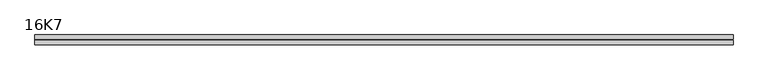
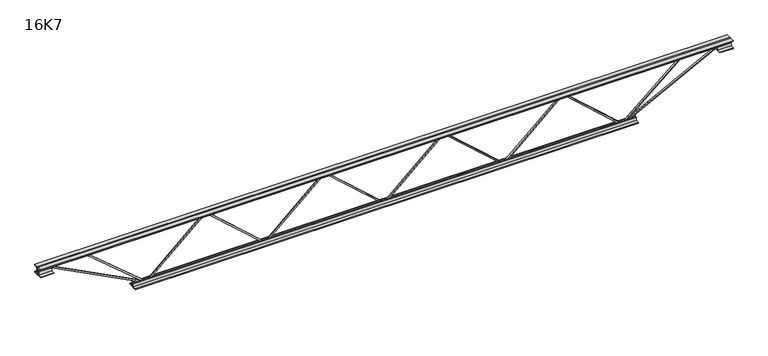
"""IFC4 building model written with IfcOpenShell, lengths in millimetres: beam geometry, 16K7."""

from ifc_helpers import new_model, si_unit, frame, origin, place, context, project, spatial, polyline, outline, extrude, source, transform, mapped, element, save


def beam_16k7_efc20214(model_context):
    return source(origin(), model_context, "Body", "SweptSolid", [
        extrude(outline(polyline([(-191.9, 0.0), (-201.4, 0.0), (-201.4, 4.9868743), (191.9, 445.5118743), (191.9, 448.2381257), (-201.4, 888.7631257), (-201.4, 893.75), (-191.9, 893.75), (-191.9, 892.3868743), (201.4, 451.8618743), (201.4, 441.8881257), (-191.9, 1.3631257), (-191.9, 0.0)])), frame((0.0, -4.75, 0.0), z_axis=(0.0, 1.0, 0.0), x_axis=(0.0, 0.0, 1.0)), (0.0, 0.0, 1.0), 9.5),
        extrude(outline(polyline([(-191.9, -893.75), (-201.4, -893.75), (-201.4, -888.7631257), (191.9, -448.2381257), (191.9, -445.5118743), (-201.4, -4.9868743), (-201.4, 0.0), (-191.9, 0.0), (-191.9, -1.3631257), (201.4, -441.8881257), (201.4, -451.8618743), (-191.9, -892.3868743), (-191.9, -893.75)])), frame((0.0, -4.75, 0.0), z_axis=(0.0, 1.0, 0.0), x_axis=(0.0, 0.0, 1.0)), (0.0, 0.0, 1.0), 9.5),
        extrude(outline(polyline([(-191.9, 893.75), (-201.4, 893.75), (-201.4, 898.7368743), (191.9, 1339.2618743), (191.9, 1341.9881257), (-201.4, 1782.5131257), (-201.4, 1787.5), (-191.9, 1787.5), (-191.9, 1786.1368743), (201.4, 1345.6118743), (201.4, 1335.6381257), (-191.9, 895.1131257), (-191.9, 893.75)])), frame((0.0, -4.75, 0.0), z_axis=(0.0, 1.0, 0.0), x_axis=(0.0, 0.0, 1.0)), (0.0, 0.0, 1.0), 9.5),
        extrude(outline(polyline([(-191.9, -1787.5), (-201.4, -1787.5), (-201.4, -1782.5131257), (191.9, -1341.9881257), (191.9, -1339.2618743), (-201.4, -898.7368743), (-201.4, -893.75), (-191.9, -893.75), (-191.9, -895.1131257), (201.4, -1335.6381257), (201.4, -1345.6118743), (-191.9, -1786.1368743), (-191.9, -1787.5)])), frame((0.0, -4.75, 0.0), z_axis=(0.0, 1.0, 0.0), x_axis=(0.0, 0.0, 1.0)), (0.0, 0.0, 1.0), 9.5),
        extrude(outline(polyline([(4.75, 203.0), (36.75, 203.0), (36.75, 196.5), (11.25, 196.5), (11.25, 171.0), (4.75, 171.0), (4.75, 203.0)])), frame((-2599.5, 0.0, 0.0), z_axis=(1.0, 0.0, 0.0), x_axis=(0.0, 1.0, 0.0)), (0.0, 0.0, 1.0), 5199.0),
        extrude(outline(polyline([(-4.75, 203.0), (-4.75, 171.0), (-11.25, 171.0), (-11.25, 196.5), (-36.75, 196.5), (-36.75, 203.0), (-4.75, 203.0)])), frame((-2599.5, 0.0, 0.0), z_axis=(1.0, 0.0, 0.0), x_axis=(0.0, 1.0, 0.0)), (0.0, 0.0, 1.0), 5199.0),
        extrude(outline(polyline([(-4.75, 139.5), (-36.75, 139.5), (-36.75, 146.0), (-11.25, 146.0), (-11.25, 171.0), (-4.75, 171.0), (-4.75, 139.5)])), frame((-2599.5, 0.0, 0.0), z_axis=(1.0, 0.0, 0.0), x_axis=(0.0, 1.0, 0.0)), (0.0, 0.0, 1.0), 100.0),
        extrude(outline(polyline([(36.75, 139.5), (4.75, 139.5), (4.75, 171.0), (11.25, 171.0), (11.25, 146.0), (36.75, 146.0), (36.75, 139.5)])), frame((-2599.5, 0.0, 0.0), z_axis=(1.0, 0.0, 0.0), x_axis=(0.0, 1.0, 0.0)), (0.0, 0.0, 1.0), 100.0),
        extrude(outline(polyline([(4.75, 139.5), (4.75, 171.0), (11.25, 171.0), (11.25, 146.0), (36.75, 146.0), (36.75, 139.5), (4.75, 139.5)])), frame((2499.5, 0.0, 0.0), z_axis=(1.0, 0.0, 0.0), x_axis=(0.0, 1.0, 0.0)), (0.0, 0.0, 1.0), 100.0),
        extrude(outline(polyline([(-4.75, 139.5), (-36.75, 139.5), (-36.75, 146.0), (-11.25, 146.0), (-11.25, 171.0), (-4.75, 171.0), (-4.75, 139.5)])), frame((2499.5, 0.0, 0.0), z_axis=(1.0, 0.0, 0.0), x_axis=(0.0, 1.0, 0.0)), (0.0, 0.0, 1.0), 100.0),
        extrude(outline(polyline([(4.75, -203.0), (4.75, -171.0), (11.25, -171.0), (11.25, -196.5), (36.75, -196.5), (36.75, -203.0), (4.75, -203.0)])), frame((-1887.5, 0.0, 0.0), z_axis=(1.0, 0.0, 0.0), x_axis=(0.0, 1.0, 0.0)), (0.0, 0.0, 1.0), 3775.0),
        extrude(outline(polyline([(-4.75, -203.0), (-36.75, -203.0), (-36.75, -196.5), (-11.25, -196.5), (-11.25, -171.0), (-4.75, -171.0), (-4.75, -203.0)])), frame((-1887.5, 0.0, 0.0), z_axis=(1.0, 0.0, 0.0), x_axis=(0.0, 1.0, 0.0)), (0.0, 0.0, 1.0), 3775.0),
        extrude(outline(polyline([(-200.8705467, -1789.6793315), (-192.4294533, -1785.3206685), (175.75, -2498.3460208), (175.75, -2599.5), (166.25, -2599.5), (166.25, -2500.6539792), (-200.8705467, -1789.6793315)])), frame((0.0, -4.75, 0.0), z_axis=(0.0, 1.0, 0.0), x_axis=(0.0, 0.0, 1.0)), (0.0, 0.0, 1.0), 9.5),
        extrude(outline(polyline([(188.7, -2254.3321429), (179.2, -2254.3321429), (179.2, -2243.3593948), (-200.2905346, -1790.5510667), (-193.0094654, -1784.4489333), (188.7, -2239.904891), (188.7, -2254.3321429)])), frame((0.0, -4.75, 0.0), z_axis=(0.0, 1.0, 0.0), x_axis=(0.0, 0.0, 1.0)), (0.0, 0.0, 1.0), 9.5),
        extrude(outline(polyline([(0.0, -9.5), (0.0, 0.0), (801.3179909, 0.0), (801.3179909, -9.5), (0.0, -9.5)])), frame((2501.6793315, -4.75, 166.7794533), z_axis=(-0.4588066213244956, 0.0, 0.8885361468329811), x_axis=(-0.8885361468329811, 0.0, -0.4588066213244956)), (0.0, 0.0, 1.0), 9.5),
        extrude(outline(polyline([(0.0, -9.5), (0.0, 0.0), (606.2713608, 0.0), (606.2713608, -9.5), (0.0, -9.5)])), frame((2251.9707029, -4.75, 193.0351185), z_axis=(-0.6487194108209349, 0.0, 0.7610276775677343), x_axis=(-0.7610276775677343, 0.0, -0.6487194108209349)), (0.0, 0.0, 1.0), 9.5),
    ])


if __name__ == "__main__":
    model = new_model("IFC4")
    model_context = context("Model", 3, world=origin())
    ifc_project = project(units=[si_unit("LENGTHUNIT", "METRE", prefix="MILLI")], contexts=[model_context])
    site = spatial("IfcSite", under=ifc_project)
    building = spatial("IfcBuilding", under=site)
    placement = place(None, origin())
    beam_16k7_shape = beam_16k7_efc20214(model_context)
    element("IfcBeam", 1, ObjectType="16K7", at=placement, inside=building, context=model_context, shape_type="MappedRepresentation", body=[
        mapped(beam_16k7_shape, transform((0.0, 0.0, 0.0), x_axis=(1.0, 0.0, 0.0), y_axis=(0.0, 1.0, 0.0), z_axis=(0.0, 0.0, 1.0))),
    ])
    save(model, "model.ifc")
